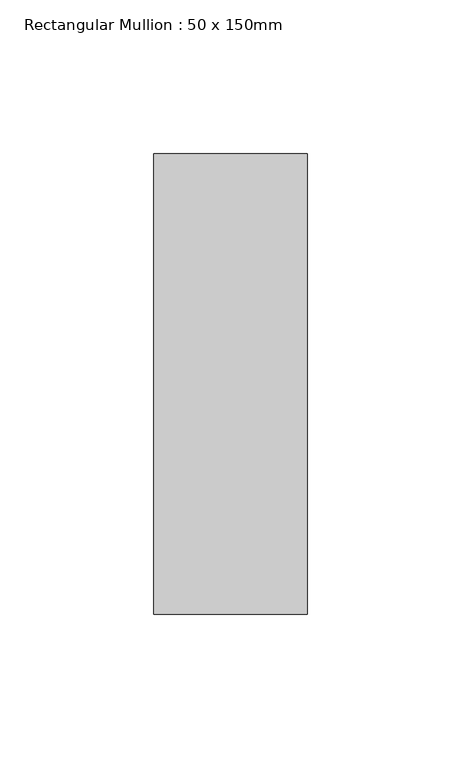
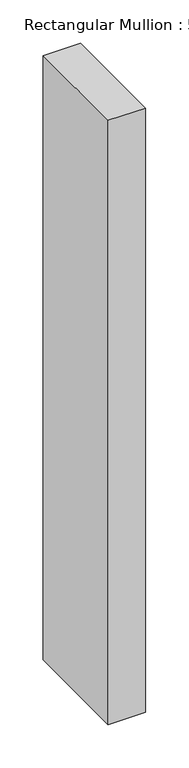
"""IFC4 building model written with IfcOpenShell, lengths in millimetres: member geometry, Rectangular Mullion : 50 x 150mm."""

from ifc_helpers import new_model, si_unit, frame, origin, place, context, project, spatial, polyline, outline, extrude, source, transform, mapped, element, save


def rectangular_mullion_50_x_150mm_222f51ee(model_context):
    return source(origin(), model_context, "Body", "SweptSolid", [
        extrude(outline(polyline([(0.0, 75.0), (0.0, -75.0), (-50.0, -75.0), (-50.0, 75.0), (0.0, 75.0)])), frame((0.0, 0.0, -850.276156), z_axis=(0.0, 0.0, 1.0), x_axis=(1.0, 0.0, 0.0)), (0.0, 0.0, 1.0), 850.276156),
    ])


if __name__ == "__main__":
    model = new_model("IFC4")
    model_context = context("Model", 3, world=origin())
    ifc_project = project(units=[si_unit("LENGTHUNIT", "METRE", prefix="MILLI")], contexts=[model_context])
    site = spatial("IfcSite", under=ifc_project)
    building = spatial("IfcBuilding", under=site)
    placement = place(None, origin())
    rectangular_mullion_50_x_150mm_shape = rectangular_mullion_50_x_150mm_222f51ee(model_context)
    element("IfcMember", 1, ObjectType="Rectangular Mullion : 50 x 150mm", at=placement, inside=building, context=model_context, shape_type="MappedRepresentation", body=[
        mapped(rectangular_mullion_50_x_150mm_shape, transform((0.0, 0.0, 0.0), x_axis=(1.0, 0.0, 0.0), y_axis=(0.0, 1.0, 0.0), z_axis=(0.0, 0.0, 1.0))),
    ])
    save(model, "model.ifc")
